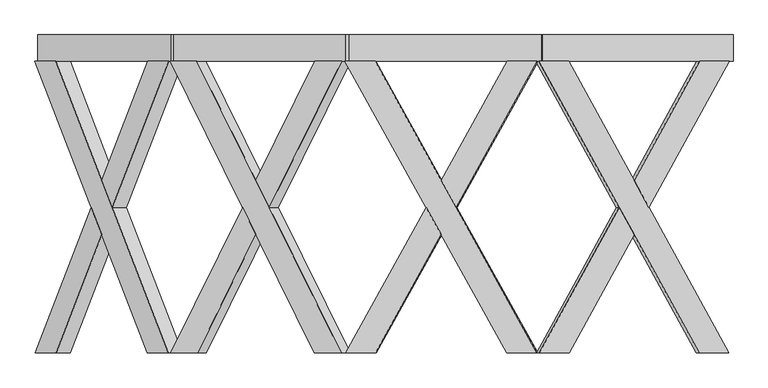
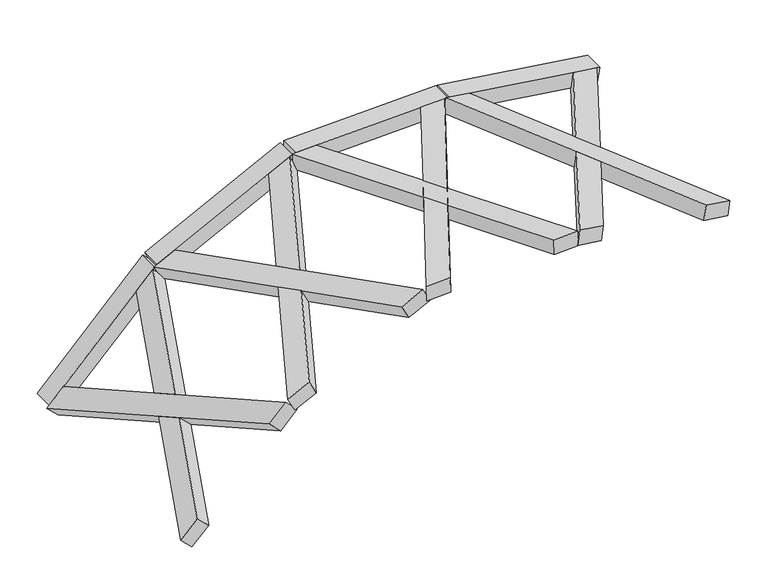
"""IFC4 building model written with IfcOpenShell, lengths in millimetres: proxy geometry."""

from ifc_helpers import new_model, si_unit, frame, origin, place, context, project, spatial, polyline, outline, extrude, faceted_brep, source, transform, mapped, element, save


def generic_models_67a8ede3(model_context):
    return source(origin(), model_context, "Body", "SolidModel", [
        faceted_brep([(5181.7097883, -100.0, 1490.4632143), (3963.2930588, -2319.6837757, 1661.7005185), (3736.8476539, -2319.6837757, 1693.5253447), (4955.2643834, -100.0, 1522.2880405), (3757.723619, -2319.6837757, 1842.065555), (3984.169024, -2319.6837757, 1810.2407288), (4477.8069843, -1420.3854116, 1740.8644378), (4364.5842819, -1214.1188776, 1756.7768509), (5202.5857535, -100.0, 1639.0034246), (4976.1403485, -100.0, 1670.8282508), (4477.8069843, -1007.8523437, 1740.8644378), (4591.0296868, -1214.1188776, 1724.9520247), (4354.1462993, -1214.1188776, 1682.5067457), (4467.3690018, -1007.8523437, 1666.5943326), (4580.5917042, -1214.1188776, 1650.6819195), (4467.3690018, -1420.3854116, 1666.5943326)], [[[0, 1, 2, 3]], [[4, 5, 6, 7]], [[8, 9, 10, 11]], [[0, 3, 9, 8]], [[3, 2, 4, 7, 12, 13, 10, 9]], [[2, 1, 5, 4]], [[1, 0, 8, 11, 14, 15, 6, 5]], [[12, 15, 14, 13]], [[13, 14, 11, 10]], [[15, 12, 7, 6]]]),
        faceted_brep([(3732.15225, -100.0, 1694.1852407), (3958.597655, -100.0, 1662.3604144), (4456.9310192, -1007.8523437, 1592.3242275), (4343.7083167, -1214.1188776, 1608.2366406), (5177.0143845, -2319.6837757, 1491.1231103), (4950.5689795, -2319.6837757, 1522.9479365), (4456.9310192, -1420.3854116, 1592.3242275), (4570.1537216, -1214.1188776, 1576.4118144), (3753.0282152, -100.0, 1842.725451), (4971.4449447, -2319.6837757, 1671.4881468), (5197.8903496, -2319.6837757, 1639.6633206), (3979.4736201, -100.0, 1810.9006247), (4580.5917042, -1214.1188776, 1650.6819195), (4467.3690018, -1007.8523437, 1666.5943326), (4354.1462993, -1214.1188776, 1682.5067457), (4467.3690018, -1420.3854116, 1666.5943326)], [[[0, 1, 2, 3]], [[4, 5, 6, 7]], [[8, 9, 10, 11]], [[1, 0, 8, 11]], [[11, 10, 4, 7, 12, 13, 2, 1]], [[5, 4, 10, 9]], [[9, 8, 0, 3, 14, 15, 6, 5]], [[12, 15, 14, 13]], [[13, 14, 3, 2]], [[15, 12, 7, 6]]]),
        extrude(outline(polyline([(0.0, -200.0), (0.0, 0.0), (1459.9999999, 0.0), (1459.9999999, -200.0), (0.0, -200.0)])), frame((5209.5347514, -100.0, 1486.5526707), z_axis=(0.13917310096006846, 0.0, 0.9902680687415699), x_axis=(-0.9902680687415699, 0.0, 0.13917310096006846)), (0.0, 0.0, 1.0), 150.0),
        faceted_brep([(3748.7175177, -100.0, 1688.0805707), (2519.0762303, -2319.6837757, 1645.1405508), (2290.5447168, -2319.6837757, 1637.1600545), (3520.1860042, -100.0, 1680.1000744), (2285.3097923, -2319.6837757, 1787.0686785), (2513.8413058, -2319.6837757, 1795.0491748), (3012.0268628, -1420.3854116, 1812.4461978), (2897.7611061, -1214.1188776, 1808.4559497), (3743.4825932, -100.0, 1837.9891948), (3514.9510797, -100.0, 1830.0086985), (3012.0268628, -1007.8523437, 1812.4461978), (3126.2926196, -1214.1188776, 1816.436446), (2900.3785684, -1214.1188776, 1733.5016377), (3014.6443251, -1007.8523437, 1737.4918858), (3128.9100818, -1214.1188776, 1741.482134), (3014.6443251, -1420.3854116, 1737.4918858)], [[[0, 1, 2, 3]], [[4, 5, 6, 7]], [[8, 9, 10, 11]], [[0, 3, 9, 8]], [[3, 2, 4, 7, 12, 13, 10, 9]], [[2, 1, 5, 4]], [[1, 0, 8, 11, 14, 15, 6, 5]], [[12, 15, 14, 13]], [[13, 14, 11, 10]], [[15, 12, 7, 6]]]),
        faceted_brep([(2285.806057, -100.0, 1636.9945768), (2514.3375705, -100.0, 1644.9750731), (3017.2617874, -1007.8523437, 1662.5375738), (2902.9960306, -1214.1188776, 1658.5473256), (3743.9788579, -2319.6837757, 1687.9150931), (3515.4473444, -2319.6837757, 1679.9345968), (3017.2617874, -1420.3854116, 1662.5375738), (3131.5275441, -1214.1188776, 1666.5278219), (2280.5711325, -100.0, 1786.9032009), (3510.2124199, -2319.6837757, 1829.8432208), (3738.7439334, -2319.6837757, 1837.8237171), (2509.102646, -100.0, 1794.8836972), (3128.9100818, -1214.1188776, 1741.482134), (3014.6443251, -1007.8523437, 1737.4918858), (2900.3785684, -1214.1188776, 1733.5016377), (3014.6443251, -1420.3854116, 1737.4918858)], [[[0, 1, 2, 3]], [[4, 5, 6, 7]], [[8, 9, 10, 11]], [[1, 0, 8, 11]], [[11, 10, 4, 7, 12, 13, 2, 1]], [[5, 4, 10, 9]], [[9, 8, 0, 3, 14, 15, 6, 5]], [[12, 15, 14, 13]], [[13, 14, 3, 2]], [[15, 12, 7, 6]]]),
        extrude(outline(polyline([(0.0, -200.0), (0.0, 0.0), (1460.0000001, 0.0), (1460.0000001, -200.0), (0.0, -200.0)])), frame((3776.7988159, -100.0, 1689.0611913), z_axis=(-0.0348994967024982, 0.0, 0.9993908270190959), x_axis=(-0.9993908270190959, 0.0, -0.0348994967024982)), (0.0, 0.0, 1.0), 150.0),
        faceted_brep([(2324.0841626, -100.0, 1633.4803354), (1227.7979252, -2319.6837757, 1074.8945974), (1024.0507384, -2319.6837757, 971.0802205), (2120.3369758, -100.0, 1529.6659584), (955.9521634, -2319.6837757, 1104.7311991), (1159.6993502, -2319.6837757, 1208.5455761), (1603.8565003, -1420.3854116, 1434.8549476), (1501.9829069, -1214.1188776, 1382.9477592), (2255.9855877, -100.0, 1767.131314), (2052.2384009, -100.0, 1663.3169371), (1603.8565003, -1007.8523437, 1434.8549476), (1705.7300937, -1214.1188776, 1486.7621361), (1536.0321944, -1214.1188776, 1316.1222698), (1637.9057878, -1007.8523437, 1368.0294583), (1739.7793812, -1214.1188776, 1419.9366468), (1637.9057878, -1420.3854116, 1368.0294583)], [[[0, 1, 2, 3]], [[4, 5, 6, 7]], [[8, 9, 10, 11]], [[0, 3, 9, 8]], [[3, 2, 4, 7, 12, 13, 10, 9]], [[2, 1, 5, 4]], [[1, 0, 8, 11, 14, 15, 6, 5]], [[12, 15, 14, 13]], [[13, 14, 11, 10]], [[15, 12, 7, 6]]]),
        faceted_brep([(1019.8259879, -100.0, 968.9276026), (1223.5731747, -100.0, 1072.7419796), (1671.9550753, -1007.8523437, 1301.203969), (1570.0814819, -1214.1188776, 1249.2967805), (2319.8594122, -2319.6837757, 1631.3277175), (2116.1122254, -2319.6837757, 1527.5133406), (1671.9550753, -1420.3854116, 1301.203969), (1773.8286687, -1214.1188776, 1353.1111575), (951.727413, -100.0, 1102.5785813), (2048.0136504, -2319.6837757, 1661.1643192), (2251.7608372, -2319.6837757, 1764.9786961), (1155.4745998, -100.0, 1206.3929582), (1739.7793812, -1214.1188776, 1419.9366468), (1637.9057878, -1007.8523437, 1368.0294583), (1536.0321944, -1214.1188776, 1316.1222698), (1637.9057878, -1420.3854116, 1368.0294583)], [[[0, 1, 2, 3]], [[4, 5, 6, 7]], [[8, 9, 10, 11]], [[1, 0, 8, 11]], [[11, 10, 4, 7, 12, 13, 2, 1]], [[5, 4, 10, 9]], [[9, 8, 0, 3, 14, 15, 6, 5]], [[12, 15, 14, 13]], [[13, 14, 3, 2]], [[15, 12, 7, 6]]]),
        extrude(outline(polyline([(0.0, -200.0), (0.0, 0.0), (1460.0, 0.0), (1460.0, -200.0), (0.0, -200.0)])), frame((2349.1200337, -100.0, 1646.2367488), z_axis=(-0.4539904997395464, 0.0, 0.8910065241883681), x_axis=(-0.8910065241883681, 0.0, -0.4539904997395464)), (0.0, 0.0, 1.0), 150.0),
        faceted_brep([(1048.6329068, -100.0, 977.9244225), (193.9316329, -2319.6837757, 92.8553442), (35.0835381, -2319.6837757, -71.6366732), (889.784812, -100.0, 813.4324051), (-72.8174319, -2319.6837757, 32.5620824), (86.0306628, -2319.6837757, 197.0540997), (432.3103743, -1420.3854116, 555.637238), (352.8863269, -1214.1188776, 473.3912293), (940.7319367, -100.0, 1082.1231781), (781.883842, -100.0, 917.6311607), (432.3103743, -1007.8523437, 555.637238), (511.7344217, -1214.1188776, 637.8832467), (406.836812, -1214.1188776, 421.2918515), (486.2608593, -1007.8523437, 503.5378602), (565.6849067, -1214.1188776, 585.7838689), (486.2608593, -1420.3854116, 503.5378602)], [[[0, 1, 2, 3]], [[4, 5, 6, 7]], [[8, 9, 10, 11]], [[0, 3, 9, 8]], [[3, 2, 4, 7, 12, 13, 10, 9]], [[2, 1, 5, 4]], [[1, 0, 8, 11, 14, 15, 6, 5]], [[12, 15, 14, 13]], [[13, 14, 11, 10]], [[15, 12, 7, 6]]]),
        faceted_brep([(31.7897819, -100.0, -75.0474576), (190.6378767, -100.0, 89.4445598), (540.2113443, -1007.8523437, 451.4384825), (460.787297, -1214.1188776, 369.1924738), (1045.3391506, -2319.6837757, 974.5136381), (886.4910558, -2319.6837757, 810.0216207), (540.2113443, -1420.3854116, 451.4384825), (619.6353917, -1214.1188776, 533.6844911), (-76.1111881, -100.0, 29.151298), (778.5900858, -2319.6837757, 914.2203763), (937.4381805, -2319.6837757, 1078.7123937), (82.7369066, -100.0, 193.6433153), (565.6849067, -1214.1188776, 585.7838689), (486.2608593, -1007.8523437, 503.5378602), (406.836812, -1214.1188776, 421.2918515), (486.2608593, -1420.3854116, 503.5378602)], [[[0, 1, 2, 3]], [[4, 5, 6, 7]], [[8, 9, 10, 11]], [[1, 0, 8, 11]], [[11, 10, 4, 7, 12, 13, 2, 1]], [[5, 4, 10, 9]], [[9, 8, 0, 3, 14, 15, 6, 5]], [[12, 15, 14, 13]], [[13, 14, 3, 2]], [[15, 12, 7, 6]]]),
        extrude(outline(polyline([(-148.3871943, 0.0), (-148.3871943, -150.0), (-348.3871943, -150.0), (-348.3871943, 0.0), (-148.3871943, 0.0)])), frame((53.950485, -248.3871943, -52.0993778), z_axis=(0.6946583704589979, 0.0, 0.7193398003386506), x_axis=(0.0, -1.0, 0.0)), (0.0, 0.0, 1.0), 1460.0),
    ])


if __name__ == "__main__":
    model = new_model("IFC4")
    model_context = context("Model", 3, world=origin())
    ifc_project = project(units=[si_unit("LENGTHUNIT", "METRE", prefix="MILLI")], contexts=[model_context])
    site = spatial("IfcSite", under=ifc_project)
    building = spatial("IfcBuilding", under=site)
    placement = place(None, origin())
    generic_models_shape = generic_models_67a8ede3(model_context)
    element("IfcBuildingElementProxy", 1, Name="Generic Models", at=placement, inside=building, context=model_context, shape_type="MappedRepresentation", body=[
        mapped(generic_models_shape, transform((0.0, 0.0, 0.0), x_axis=(1.0, 0.0, 0.0), y_axis=(0.0, 1.0, 0.0), z_axis=(0.0, 0.0, 1.0))),
    ])
    save(model, "model.ifc")
